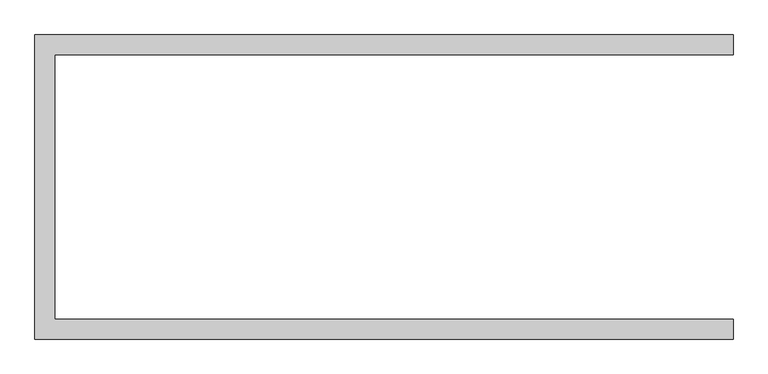
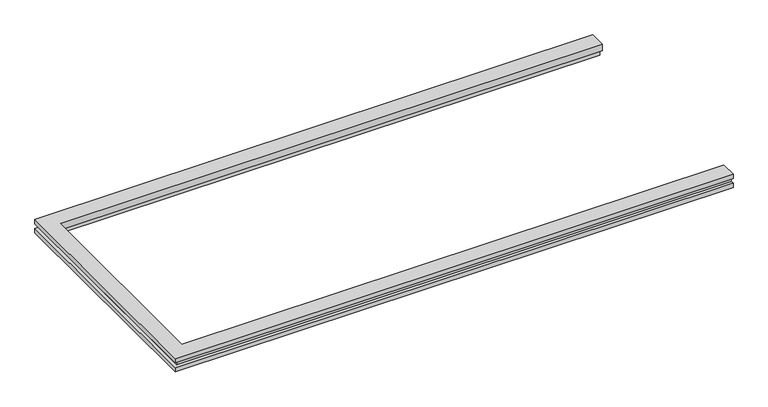
"""IFC4 building model written with IfcOpenShell, lengths in millimetres: member geometry."""

from ifc_helpers import new_model, si_unit, origin, place, context, project, spatial, faceted_brep, source, transform, mapped, element, save


def member_d0cf33e8(model_context):
    return source(origin(), model_context, "Body", "Brep", [
        faceted_brep([(1184.5, 516.0000002, 30.0), (1184.5, 448.0000002, 30.0), (1184.5, 448.0000002, 0.0), (1184.5, 465.0000002, 0.0), (1184.5, 465.0000002, -30.0), (1184.5, 516.0000002, -30.0), (1184.5, 516.0000002, -10.25), (1184.5, 503.0000002, -10.25), (1184.5, 503.0000002, 10.25), (1184.5, 516.0000002, 10.25), (-1184.5, -516.0000002, 30.0), (-1184.5, 516.0000002, 30.0), (-1184.5, 516.0000002, 10.25), (-1184.5, -516.0000002, 10.25), (-1184.5, 516.0000002, -30.0), (-1184.5, -516.0000002, -30.0), (-1184.5, -516.0000002, -10.25), (-1184.5, 516.0000002, -10.25), (-1116.5, 448.0000002, 30.0), (-1116.5, 448.0000002, 0.0), (1184.5, -516.0000002, 30.0), (1184.5, -448.0000002, 30.0), (-1116.5, -448.0000002, 30.0), (-1133.5, 465.0000002, -30.0), (-1133.5, -465.0000002, -30.0), (1184.5, -465.0000002, -30.0), (1184.5, -516.0000002, -30.0), (-1133.5, 465.0000002, 0.0), (-1116.5, -448.0000002, 0.0), (1184.5, -448.0000002, 0.0), (1184.5, -465.0000002, 0.0), (-1133.5, -465.0000002, 0.0), (1184.5, -516.0000002, 10.25), (1184.5, -516.0000002, -10.25), (1184.5, -503.0000002, 10.25), (1184.5, -503.0000002, -10.25), (-1171.5, 503.0000002, -10.25), (-1171.5, 503.0000002, 10.25), (-1171.5, -503.0000002, -10.25), (-1171.5, -503.0000002, 10.25)], [[[0, 1, 2, 3, 4, 5, 6, 7, 8, 9]], [[10, 11, 12, 13]], [[14, 15, 16, 17]], [[1, 18, 19, 2]], [[1, 0, 11, 10, 20, 21, 22, 18]], [[11, 0, 9, 12]], [[5, 14, 17, 6]], [[14, 5, 4, 23, 24, 25, 26, 15]], [[27, 3, 2, 19, 28, 29, 30, 31]], [[27, 31, 24, 23]], [[31, 30, 25, 24]], [[3, 27, 23, 4]], [[20, 10, 13, 32]], [[15, 26, 33, 16]], [[18, 22, 28, 19]], [[21, 20, 32, 34, 35, 33, 26, 25, 30, 29]], [[22, 21, 29, 28]], [[8, 7, 36, 37]], [[7, 6, 17, 16, 33, 35, 38, 36]], [[9, 8, 37, 39, 34, 32, 13, 12]], [[35, 34, 39, 38]], [[36, 38, 39, 37]]]),
    ])


if __name__ == "__main__":
    model = new_model("IFC4")
    model_context = context("Model", 3, world=origin())
    ifc_project = project(units=[si_unit("LENGTHUNIT", "METRE", prefix="MILLI")], contexts=[model_context])
    site = spatial("IfcSite", under=ifc_project)
    building = spatial("IfcBuilding", under=site)
    placement = place(None, origin())
    member_shape = member_d0cf33e8(model_context)
    element("IfcMember", 1, at=placement, inside=building, context=model_context, shape_type="MappedRepresentation", body=[
        mapped(member_shape, transform((0.0, 0.0, 0.0), x_axis=(1.0, 0.0, 0.0), y_axis=(0.0, 1.0, 0.0), z_axis=(0.0, 0.0, 1.0))),
    ])
    save(model, "model.ifc")
